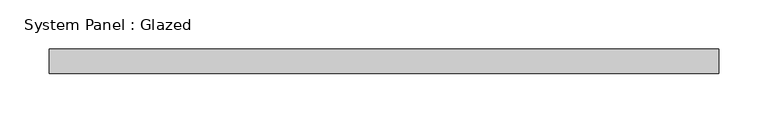
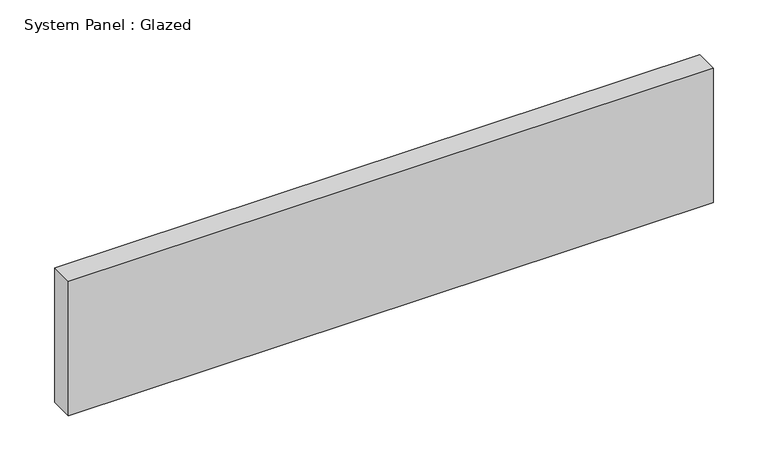
"""IFC4 building model written with IfcOpenShell, lengths in millimetres: plate geometry, System Panel : Glazed."""

from ifc_helpers import new_model, si_unit, origin, origin_with_axes, place, context, project, spatial, polyline, outline, extrude, source, transform, mapped, element, save


def system_panel_glazed_0afa8157(model_context):
    return source(origin(), model_context, "Body", "SweptSolid", [
        extrude(outline(polyline([(340.0, 24.5), (-340.0, 24.5), (-340.0, 49.5), (340.0, 49.5), (340.0, 24.5)])), origin_with_axes(), (0.0, 0.0, 1.0), 150.0),
    ])


if __name__ == "__main__":
    model = new_model("IFC4")
    model_context = context("Model", 3, world=origin())
    ifc_project = project(units=[si_unit("LENGTHUNIT", "METRE", prefix="MILLI")], contexts=[model_context])
    site = spatial("IfcSite", under=ifc_project)
    building = spatial("IfcBuilding", under=site)
    placement = place(None, origin())
    system_panel_glazed_shape = system_panel_glazed_0afa8157(model_context)
    element("IfcPlate", 1, ObjectType="System Panel : Glazed", at=placement, inside=building, context=model_context, shape_type="MappedRepresentation", body=[
        mapped(system_panel_glazed_shape, transform((0.0, 0.0, 0.0), x_axis=(1.0, 0.0, 0.0), y_axis=(0.0, 1.0, 0.0), z_axis=(0.0, 0.0, 1.0))),
    ])
    save(model, "model.ifc")
